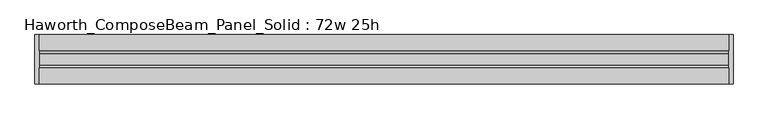
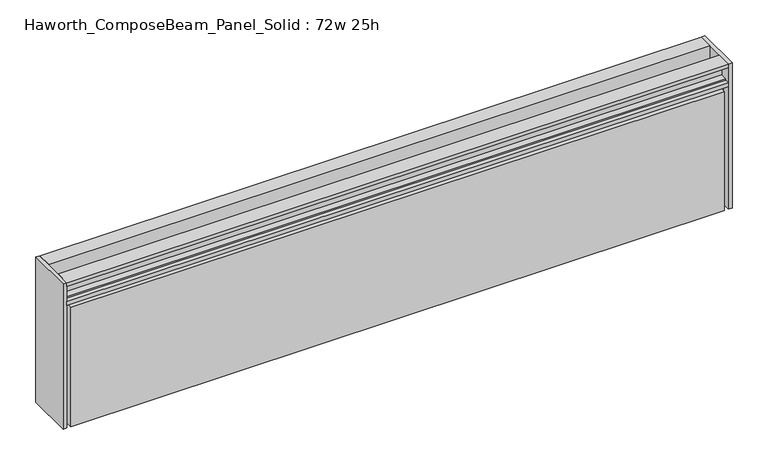
"""IFC4 building model written with IfcOpenShell, lengths in millimetres: furniture geometry, Haworth_ComposeBeam_Panel_Solid : 72w 25h."""

from ifc_helpers import new_model, si_unit, frame, origin, place, context, project, spatial, polyline, outline, extrude, source, transform, mapped, element, save


def haworth_composebeam_panel_solid_72w_25h_e9d290f1(model_context):
    return source(origin(), model_context, "Body", "SweptSolid", [
        extrude(outline(polyline([(-38.1, 673.1), (-38.1, 679.45), (-13.5001003, 679.45), (-13.5001003, 657.6828071), (-8.7648475, 647.7), (8.7648498, 647.7), (13.5001026, 657.6828071), (13.5001026, 679.45), (38.1000023, 679.45), (38.1000023, 673.1), (30.6197023, 673.1), (30.6197023, 670.8139719), (19.6977019, 670.8139719), (19.6977019, 649.9860281), (30.6197023, 649.9860281), (30.6197023, 647.7), (38.1000011, 647.7), (38.1000011, 641.35), (-38.0999989, 641.35), (-38.0999989, 647.7), (-30.6197, 647.7), (-30.6197, 649.9860281), (-19.6976996, 649.9860281), (-19.6976996, 670.8139719), (-30.6197, 670.8139719), (-30.6197, 673.1), (-38.1, 673.1)])), frame((-530.9597098, 0.0, 0.0), z_axis=(1.0, 0.0, 0.0), x_axis=(0.0, 1.0, 0.0)), (0.0, 0.0, 1.0), 1066.8),
        extrude(outline(polyline([(542.1902902, 38.1), (542.1902902, -38.1), (535.8402902, -38.1), (535.8402902, 38.1), (542.1902902, 38.1)])), frame((0.0, 0.0, 431.8), z_axis=(0.0, 0.0, 1.0), x_axis=(1.0, 0.0, 0.0)), (0.0, 0.0, 1.0), 247.65),
        extrude(outline(polyline([(-530.9597098, 38.1), (-530.9597098, -38.1), (-537.3097098, -38.1), (-537.3097098, 38.1), (-530.9597098, 38.1)])), frame((0.0, 0.0, 431.8), z_axis=(0.0, 0.0, 1.0), x_axis=(1.0, 0.0, 0.0)), (0.0, 0.0, 1.0), 247.65),
        extrude(outline(polyline([(535.8402902, -25.4), (-530.9597098, -25.4), (-530.9597098, 25.4), (535.8402902, 25.4), (535.8402902, -25.4)])), frame((0.0, 0.0, 431.8), z_axis=(0.0, 0.0, 1.0), x_axis=(1.0, 0.0, 0.0)), (0.0, 0.0, 1.0), 209.55),
        extrude(outline(polyline([(-524.6097098, -25.4), (529.4902902, -25.4), (529.4902902, -38.1), (-524.6097098, -38.1), (-524.6097098, -25.4)])), frame((0.0, 0.0, 431.8), z_axis=(0.0, 0.0, 1.0), x_axis=(1.0, 0.0, 0.0)), (0.0, 0.0, 1.0), 203.2),
        extrude(outline(polyline([(-524.6097098, 38.1), (529.4902902, 38.1), (529.4902902, 25.4), (-524.6097098, 25.4), (-524.6097098, 38.1)])), frame((0.0, 0.0, 431.8), z_axis=(0.0, 0.0, 1.0), x_axis=(1.0, 0.0, 0.0)), (0.0, 0.0, 1.0), 203.2),
    ])


if __name__ == "__main__":
    model = new_model("IFC4")
    model_context = context("Model", 3, world=origin())
    ifc_project = project(units=[si_unit("LENGTHUNIT", "METRE", prefix="MILLI")], contexts=[model_context])
    site = spatial("IfcSite", under=ifc_project)
    building = spatial("IfcBuilding", under=site)
    placement = place(None, origin())
    haworth_composebeam_panel_solid_72w_25h_shape = haworth_composebeam_panel_solid_72w_25h_e9d290f1(model_context)
    element("IfcFurniture", 1, ObjectType="Haworth_ComposeBeam_Panel_Solid : 72w 25h", at=placement, inside=building, context=model_context, shape_type="MappedRepresentation", body=[
        mapped(haworth_composebeam_panel_solid_72w_25h_shape, transform((0.0, 0.0, 0.0), x_axis=(1.0, 0.0, 0.0), y_axis=(0.0, 1.0, 0.0), z_axis=(0.0, 0.0, 1.0))),
    ])
    save(model, "model.ifc")
